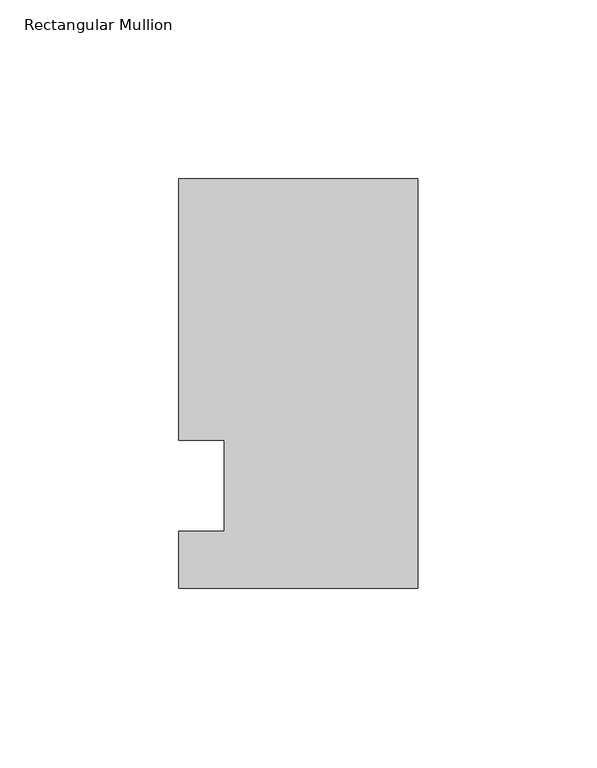
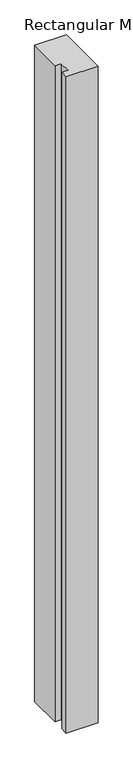
"""IFC4 building model written with IfcOpenShell, lengths in millimetres: member geometry, Rectangular Mullion."""

import ifcopenshell
import ifcopenshell.guid

model = None  # the IFC model being written
_history = None  # IfcOwnerHistory: only IFC2X3 demands one
_inside = {}  # id of a spatial element -> (the spatial element, [elements in it])
_under = {}  # id of a project, library or spatial element -> (it, [spatial elements below it])
_declared = {}  # id of a project -> (the project, [libraries it declares])
_typed = {}  # id of a type object -> (the type object, [elements of that type])
_made_of = {}  # id of a material, layer set ... -> (it, [elements and type objects made of it])


def new_model(schema):
    """Start an empty IFC model of exactly this schema.

    Asked for "IFC4X3", IfcOpenShell would pick the latest addendum, in which some entities
    have other attributes; the version numbers below select the first issue.
    IFC2X3 requires an IfcOwnerHistory on every rooted entity: one is made here for all.
    """
    global model, _history
    if schema == "IFC4X3":
        model = ifcopenshell.file(schema_version=(4, 3, 0, 0))
    else:
        model = ifcopenshell.file(schema=schema)
    _inside.clear()
    _under.clear()
    _declared.clear()
    _typed.clear()
    _made_of.clear()
    _history = None
    if model.schema == "IFC2X3":
        org = make("IfcOrganization", Name="unknown")
        user = make(
            "IfcPersonAndOrganization",
            ThePerson=make("IfcPerson", FamilyName="unknown"),
            TheOrganization=org,
        )
        app = make(
            "IfcApplication",
            ApplicationDeveloper=org,
            Version="unknown",
            ApplicationFullName="unknown",
            ApplicationIdentifier="unknown",
        )
        _history = make(
            "IfcOwnerHistory",
            OwningUser=user,
            OwningApplication=app,
            ChangeAction="ADDED",
            CreationDate=0,
        )
    return model


def make(cls, **values):
    """One entity of the class cls with the attributes given. An attribute that is None is left unset."""
    return model.create_entity(
        cls, **{name: value for name, value in values.items() if value is not None}
    )


def rooted(cls, **values):
    """An entity with a GlobalId (a new one), such as an element, a storey or a relation."""
    return make(cls, GlobalId=ifcopenshell.guid.new(), OwnerHistory=_history, **values)


def si_unit(unit_type, name, prefix=None):
    """IfcSIUnit, for example si_unit("LENGTHUNIT", "METRE", prefix="MILLI")."""
    return make("IfcSIUnit", UnitType=unit_type, Prefix=prefix, Name=name)


def assignment(units):
    """IfcUnitAssignment: the units of a project."""
    return None if units is None else make("IfcUnitAssignment", Units=units)


def point(xyz):
    """IfcCartesianPoint."""
    return None if xyz is None else make("IfcCartesianPoint", Coordinates=xyz)


def direction(xyz):
    """IfcDirection."""
    return None if xyz is None else make("IfcDirection", DirectionRatios=xyz)


def frame(location, z_axis=None, x_axis=None):
    """IfcAxis2Placement3D, a coordinate frame: its origin and axes. An axis left out is left unset."""
    return make(
        "IfcAxis2Placement3D",
        Location=point(location),
        Axis=direction(z_axis),
        RefDirection=direction(x_axis),
    )


def origin():
    """The frame at (0, 0, 0) with its axes left unset."""
    return frame((0.0, 0.0, 0.0))


def place(relative_to, where):
    """IfcLocalPlacement: puts the frame where relative to a parent placement (None: the world)."""
    return make(
        "IfcLocalPlacement", PlacementRelTo=relative_to, RelativePlacement=where
    )


def context(
    kind, dimensions, precision=None, world=None, true_north=None, identifier=None
):
    """IfcGeometricRepresentationContext, for example the 3D "Model" context."""
    return make(
        "IfcGeometricRepresentationContext",
        ContextIdentifier=identifier,
        ContextType=kind,
        CoordinateSpaceDimension=dimensions,
        Precision=precision,
        WorldCoordinateSystem=world,
        TrueNorth=true_north,
    )


def project(units=None, contexts=None):
    """IfcProject with its units and contexts."""
    return rooted(
        "IfcProject",
        Name="project",
        RepresentationContexts=contexts,
        UnitsInContext=assignment(units),
    )


def spatial(cls, under=None, at=None, **own):
    """A site, building, storey or space (cls), placed at a placement, below another one or the project."""
    s = rooted(cls, ObjectPlacement=at, **own)
    if under is not None:
        _under.setdefault(under.id(), (under, []))[1].append(s)
    return s


def polyline(points):
    """IfcPolyline through the points."""
    return make("IfcPolyline", Points=[point(p) for p in points])


def outline(outer, holes=None, kind="AREA"):
    """IfcArbitraryClosedProfileDef: a profile drawn as a closed curve; with holes, ...WithVoids."""
    if holes is None:
        return make("IfcArbitraryClosedProfileDef", ProfileType=kind, OuterCurve=outer)
    return make(
        "IfcArbitraryProfileDefWithVoids",
        ProfileType=kind,
        OuterCurve=outer,
        InnerCurves=holes,
    )


def extrude(swept, where, along, depth):
    """IfcExtrudedAreaSolid: the profile swept, set in the frame where, extruded along a direction by depth."""
    return make(
        "IfcExtrudedAreaSolid",
        SweptArea=swept,
        Position=where,
        ExtrudedDirection=direction(along),
        Depth=depth,
    )


def shape(context_of_items, identifier, shape_type, items):
    """IfcShapeRepresentation: the items that make up one representation, for example the "Body"."""
    return make(
        "IfcShapeRepresentation",
        ContextOfItems=context_of_items,
        RepresentationIdentifier=identifier,
        RepresentationType=shape_type,
        Items=items,
    )


def source(mapping_origin, context_of_items, identifier, shape_type, items):
    """IfcRepresentationMap: a shape defined once, which mapped items show again and again."""
    return make(
        "IfcRepresentationMap",
        MappingOrigin=mapping_origin,
        MappedRepresentation=shape(context_of_items, identifier, shape_type, items),
    )


def transform(
    local_origin,
    x_axis=None,
    y_axis=None,
    z_axis=None,
    scale=None,
    scale2=None,
    scale3=None,
    uniform=True,
):
    """IfcCartesianTransformationOperator3D, or its non-uniform kind. x_axis, y_axis, z_axis: its Axis1, 2, 3."""
    if uniform:
        return make(
            "IfcCartesianTransformationOperator3D",
            Axis1=direction(x_axis),
            Axis2=direction(y_axis),
            LocalOrigin=point(local_origin),
            Scale=scale,
            Axis3=direction(z_axis),
        )
    return make(
        "IfcCartesianTransformationOperator3DnonUniform",
        Axis1=direction(x_axis),
        Axis2=direction(y_axis),
        LocalOrigin=point(local_origin),
        Scale=scale,
        Axis3=direction(z_axis),
        Scale2=scale2,
        Scale3=scale3,
    )


def mapped(mapping_source, mapping_target):
    """IfcMappedItem: shows the shape of a source again, moved by a transform."""
    return make(
        "IfcMappedItem", MappingSource=mapping_source, MappingTarget=mapping_target
    )


def made_of(thing, what):
    """Note that an element or type object is made of a material, layer set ...; save() writes the relation."""
    if what is not None:
        _made_of.setdefault(what.id(), (what, []))[1].append(thing)
    return thing


def element(
    cls,
    number,
    at=None,
    inside=None,
    cuts=None,
    type_object=None,
    material=None,
    context=None,
    identifier="Body",
    shape_type=None,
    held_by="IfcProductDefinitionShape",
    body=None,
    shapes=None,
    **own,
):
    """One element of the class cls, such as IfcWall. Its Tag is "e" and its number.

    at: its placement. inside: the storey or other place that contains it. cuts: it is an
    opening in that element (IfcRelVoidsElement). A single representation is given by context,
    identifier, shape_type and body (its items); several are given by shapes. held_by: the class
    of the entity that holds the representations. save() writes the other relations.
    """
    e = rooted(cls, Tag="e%d" % number, ObjectPlacement=at, **own)
    if body is not None:
        shapes = [shape(context, identifier, shape_type, body)]
    if shapes is not None:
        e.Representation = make(held_by, Representations=shapes)
    if inside is not None:
        _inside.setdefault(inside.id(), (inside, []))[1].append(e)
    if cuts is not None:
        rooted(
            "IfcRelVoidsElement", RelatingBuildingElement=cuts, RelatedOpeningElement=e
        )
    if type_object is not None:
        _typed.setdefault(type_object.id(), (type_object, []))[1].append(e)
    return made_of(e, material)


def aggregate(whole, parts):
    """IfcRelAggregates: a whole, such as a stair, and the parts it consists of."""
    return rooted("IfcRelAggregates", RelatingObject=whole, RelatedObjects=parts)


def save(model, path):
    """Write the relations noted so far, then the file.

    IfcRelAggregates (storeys below a building ...), IfcRelContainedInSpatialStructure (elements
    in a storey), IfcRelDefinesByType, IfcRelAssociatesMaterial and IfcRelDeclares: one each for
    every whole, place, type object, material and project.
    """
    for whole, parts in _under.values():
        aggregate(whole, parts)
    for where, things in _inside.values():
        rooted(
            "IfcRelContainedInSpatialStructure",
            RelatedElements=things,
            RelatingStructure=where,
        )
    for kind, things in _typed.values():
        rooted("IfcRelDefinesByType", RelatedObjects=things, RelatingType=kind)
    for what, things in _made_of.values():
        rooted("IfcRelAssociatesMaterial", RelatedObjects=things, RelatingMaterial=what)
    for by, libraries in _declared.values():
        rooted("IfcRelDeclares", RelatingContext=by, RelatedDefinitions=libraries)
    model.write(path)


def rectangular_mullion_c9a953d2(model_context):
    return source(origin(), model_context, "Body", "SweptSolid", [
        extrude(outline(polyline([(-66.675, 85.725), (0.0, 85.725), (0.0, -28.575), (-66.675, -28.575), (-66.675, -12.7), (-53.9732296, -12.7), (-53.9732296, 12.7), (-66.675, 12.7), (-66.675, 85.725)])), frame((0.0, 0.0, -1449.9166667), z_axis=(0.0, 0.0, 1.0), x_axis=(1.0, 0.0, 0.0)), (0.0, 0.0, 1.0), 1449.9166667),
    ])


if __name__ == "__main__":
    model = new_model("IFC4")
    model_context = context("Model", 3, world=origin())
    ifc_project = project(units=[si_unit("LENGTHUNIT", "METRE", prefix="MILLI")], contexts=[model_context])
    site = spatial("IfcSite", under=ifc_project)
    building = spatial("IfcBuilding", under=site)
    placement = place(None, origin())
    rectangular_mullion_shape = rectangular_mullion_c9a953d2(model_context)
    element("IfcMember", 1, ObjectType="Rectangular Mullion", at=placement, inside=building, context=model_context, shape_type="MappedRepresentation", body=[
        mapped(rectangular_mullion_shape, transform((0.0, 0.0, 0.0), x_axis=(1.0, 0.0, 0.0), y_axis=(0.0, 1.0, 0.0), z_axis=(0.0, 0.0, 1.0))),
    ])
    save(model, "model.ifc")
